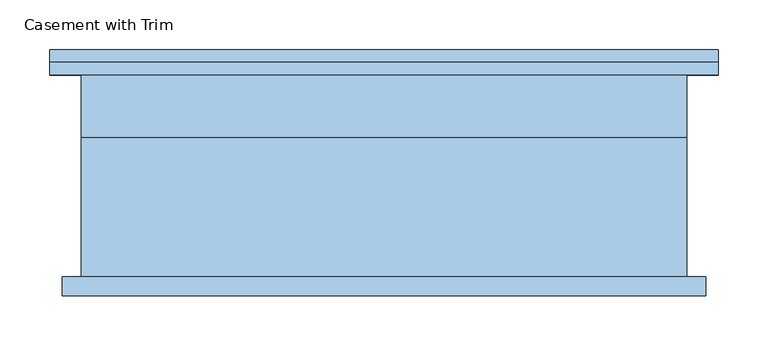
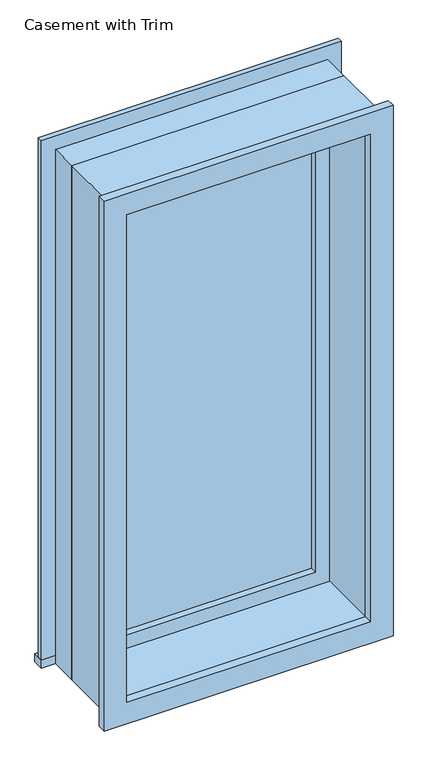
"""IFC4 building model written with IfcOpenShell, lengths in millimetres: window geometry, Casement with Trim."""

from ifc_helpers import new_model, si_unit, frame, origin, place, context, project, spatial, polyline, outline, extrude, source, transform, mapped, element, save


def casement_with_trim_21430ea7(model_context):
    return source(origin(), model_context, "Body", "SweptSolid", [
        extrude(outline(polyline([(-336.55, 127.0), (336.55, 127.0), (336.55, 101.6), (-336.55, 101.6), (-336.55, 127.0)])), frame((0.0, 0.0, 914.4), z_axis=(0.0, 0.0, 1.0), x_axis=(1.0, 0.0, 0.0)), (0.0, 0.0, 1.0), 19.05),
        extrude(outline(polyline([(2114.55, -285.75), (2114.55, 285.75), (933.45, 285.75), (933.45, 336.55), (2165.35, 336.55), (2165.35, -336.55), (933.45, -336.55), (933.45, -285.75), (2114.55, -285.75)])), frame((0.0, 101.6, 0.0), z_axis=(0.0, 1.0, 0.0), x_axis=(0.0, 0.0, 1.0)), (0.0, 0.0, 1.0), 12.7),
        extrude(outline(polyline([(2152.65, 323.85), (2152.65, -323.85), (895.35, -323.85), (895.35, 323.85), (2152.65, 323.85)]), holes=[polyline([(2101.85, 273.05), (946.15, 273.05), (946.15, -273.05), (2101.85, -273.05), (2101.85, 273.05)])]), frame((0.0, -120.65, 0.0), z_axis=(0.0, 1.0, 0.0), x_axis=(0.0, 0.0, 1.0)), (0.0, 0.0, 1.0), 19.05),
        extrude(outline(polyline([(241.3, 53.975), (-241.3, 53.975), (-241.3, 66.675), (241.3, 66.675), (241.3, 53.975)])), frame((0.0, 0.0, 977.9), z_axis=(0.0, 0.0, 1.0), x_axis=(1.0, 0.0, 0.0)), (0.0, 0.0, 1.0), 1092.2),
        extrude(outline(polyline([(2114.55, -285.75), (933.45, -285.75), (933.45, 285.75), (2114.55, 285.75), (2114.55, -285.75)]), holes=[polyline([(2070.1, -241.3), (2070.1, 241.3), (977.9, 241.3), (977.9, -241.3), (2070.1, -241.3)])]), frame((0.0, 38.1, 0.0), z_axis=(0.0, 1.0, 0.0), x_axis=(0.0, 0.0, 1.0)), (0.0, 0.0, 1.0), 44.45),
        extrude(outline(polyline([(2133.6, -304.8), (914.4, -304.8), (914.4, 304.8), (2133.6, 304.8), (2133.6, -304.8)]), holes=[polyline([(2101.85, -273.05), (2101.85, 273.05), (946.15, 273.05), (946.15, -273.05), (2101.85, -273.05)])]), frame((0.0, -101.6, 0.0), z_axis=(0.0, 1.0, 0.0), x_axis=(0.0, 0.0, 1.0)), (0.0, 0.0, 1.0), 139.7),
        extrude(outline(polyline([(2133.6, 304.8), (2133.6, -304.8), (914.4, -304.8), (914.4, 304.8), (2133.6, 304.8)]), holes=[polyline([(2114.55, 285.75), (933.45, 285.75), (933.45, -285.75), (2114.55, -285.75), (2114.55, 285.75)])]), frame((0.0, 38.1, 0.0), z_axis=(0.0, 1.0, 0.0), x_axis=(0.0, 0.0, 1.0)), (0.0, 0.0, 1.0), 63.5),
    ])


if __name__ == "__main__":
    model = new_model("IFC4")
    model_context = context("Model", 3, world=origin())
    ifc_project = project(units=[si_unit("LENGTHUNIT", "METRE", prefix="MILLI")], contexts=[model_context])
    site = spatial("IfcSite", under=ifc_project)
    building = spatial("IfcBuilding", under=site)
    placement = place(None, origin())
    casement_with_trim_shape = casement_with_trim_21430ea7(model_context)
    element("IfcWindow", 1, ObjectType="Casement with Trim", at=placement, inside=building, context=model_context, shape_type="MappedRepresentation", body=[
        mapped(casement_with_trim_shape, transform((0.0, 0.0, 0.0), x_axis=(1.0, 0.0, 0.0), y_axis=(0.0, 1.0, 0.0), z_axis=(0.0, 0.0, 1.0))),
    ])
    save(model, "model.ifc")
